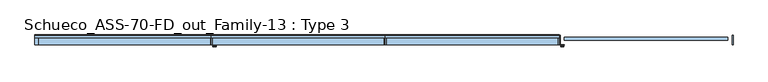
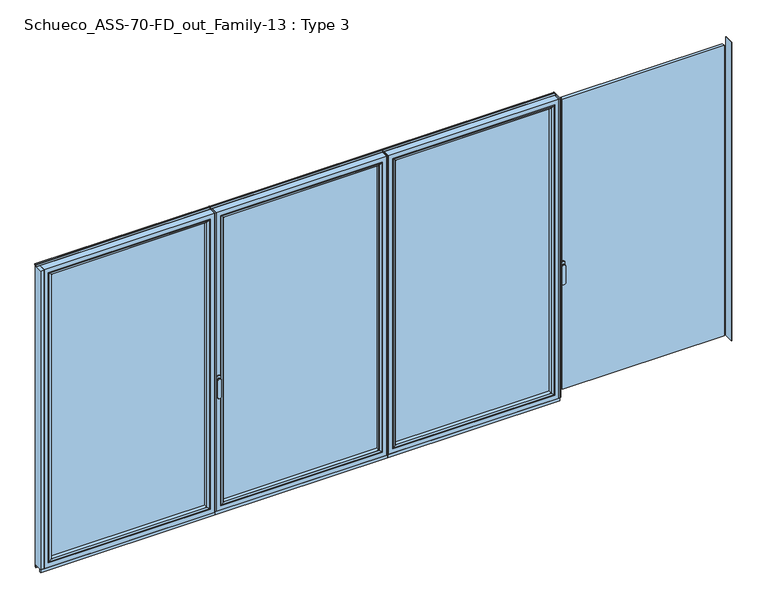
"""IFC4 building model written with IfcOpenShell, lengths in millimetres: window geometry, Schueco_ASS-70-FD_out_Family-13 : Type 3."""

from ifc_helpers import new_model, si_unit, point, frame, frame_2d, origin, place, context, project, spatial, polyline, circle_curve, ellipse_curve, trimmed, segment, composite_curve, outline, extrude, source, transform, mapped, element, save
from ifc_brep_helpers import plane_surface, cylinder_surface, extruded_surface, advanced_brep


def schueco_ass_70_fd_out_family_13_type_3_afd6cfd0(model_context):
    return source(origin(), model_context, "Body", "SolidModel", [
        extrude(outline(polyline([(1264.725, 0.0), (1264.725, -70.0), (1258.725, -70.0), (1258.725, 0.0), (1264.725, 0.0)])), frame((0.0, 0.0, 37.5), z_axis=(0.0, 0.0, 1.0), x_axis=(1.0, 0.0, 0.0)), (0.0, 0.0, 1.0), 2299.5),
        extrude(outline(polyline([(10.65, 0.0), (16.65, 0.0), (16.65, -70.0), (10.65, -70.0), (10.65, 0.0)])), frame((0.0, 0.0, 37.5), z_axis=(0.0, 0.0, 1.0), x_axis=(1.0, 0.0, 0.0)), (0.0, 0.0, 1.0), 2299.5),
        extrude(outline(polyline([(1226.725, -13.999939), (1226.725, -37.9928974), (48.65, -37.9928974), (48.65, -13.999939), (1226.725, -13.999939)])), frame((0.0, 0.0, 69.5), z_axis=(0.0, 0.0, 1.0), x_axis=(1.0, 0.0, 0.0)), (0.0, 0.0, 1.0), 2235.5),
        advanced_brep(
        [(70.6495728, -64.5552044, 2283.0004272), (70.6495728, -64.5552044, 91.4995728), (70.6495728, -37.9928974, 91.4995728), (70.6495728, -37.9928974, 2283.0004272), (48.65, -37.9928974, 2305.0), (1226.725, -37.9928974, 2305.0), (1226.725, -37.9928974, 69.5), (48.65, -37.9928974, 69.5), (1204.7254272, -37.9928974, 2283.0004272), (1204.7254272, -37.9928974, 91.4995728), (1204.7254272, -64.5552044, 91.4995728), (69.9400293, -65.8045072, 2283.7099707), (69.9400293, -65.8045072, 90.7900293), (1205.4349707, -65.8045072, 90.7900293), (54.649939, -70.0, 2299.000061), (54.649939, -70.0, 75.499939), (1220.725061, -70.0, 75.499939), (1226.725, -70.0, 2305.0), (48.65, -70.0, 2305.0), (48.65, -70.0, 69.5), (1226.725, -70.0, 69.5), (1220.725061, -70.0, 2299.000061), (1204.7254272, -64.5552044, 2283.0004272), (1205.4349707, -65.8045072, 2283.7099707)],
        [
            (0, 1),
            (1, 2),
            (2, 3),
            (3, 0),
            (4, 5),
            (5, 6),
            (6, 7),
            (7, 4),
            (8, 3),
            (2, 9),
            (9, 8),
            (1, 10),
            (10, 9),
            (11, 12),
            (12, 1, ellipse_curve(frame((69.1949688, -64.5552044, 90.0449688), z_axis=(-0.7071067811865475, 0.0, 0.7071067811865475), x_axis=(0.7071067811865474, 0.0, 0.7071067811865476)), 2.0571207, 1.454604)),
            (0, 11, ellipse_curve(frame((69.1949688, -64.5552044, 2284.4550312), z_axis=(-0.7071067811865475, 0.0, -0.7071067811865475), x_axis=(-0.7071067811865474, 0.0, 0.7071067811865476)), 2.0571207, 1.454604)),
            (12, 13),
            (13, 10, ellipse_curve(frame((1206.1800312, -64.5552044, 90.0449688), z_axis=(-0.7071067811865475, 0.0, -0.7071067811865475), x_axis=(-0.7071067811865476, 0.0, 0.7071067811865474)), 2.0571207, 1.454604)),
            (14, 15),
            (15, 12, ellipse_curve(frame((54.7138746, -40.2735922, 75.5638746), z_axis=(-0.7071067811865475, 0.0, 0.7071067811865475), x_axis=(0.7071067811865474, 0.0, 0.7071067811865476)), 42.0395863, 29.7264765)),
            (11, 14, ellipse_curve(frame((54.7138746, -40.2735922, 2298.9361254), z_axis=(-0.7071067811865475, 0.0, -0.7071067811865475), x_axis=(-0.7071067811865474, 0.0, 0.7071067811865476)), 42.0395863, 29.7264765)),
            (15, 16),
            (16, 13, ellipse_curve(frame((1220.6611254, -40.2735922, 75.5638746), z_axis=(-0.7071067811865475, 0.0, -0.7071067811865475), x_axis=(-0.7071067811865476, 0.0, 0.7071067811865474)), 42.0395863, 29.7264765)),
            (17, 18),
            (18, 19),
            (19, 20),
            (20, 17),
            (14, 21),
            (21, 16),
            (7, 19),
            (18, 4),
            (6, 20),
            (10, 22),
            (22, 8),
            (13, 23),
            (23, 22, ellipse_curve(frame((1206.1800312, -64.5552044, 2284.4550312), z_axis=(0.7071067811865475, 0.0, -0.7071067811865475), x_axis=(-0.7071067811865474, 0.0, -0.7071067811865476)), 2.0571207, 1.454604)),
            (21, 23, ellipse_curve(frame((1220.6611254, -40.2735922, 2298.9361254), z_axis=(0.7071067811865475, 0.0, -0.7071067811865475), x_axis=(-0.7071067811865474, 0.0, -0.7071067811865476)), 42.0395863, 29.7264765)),
            (5, 17),
            (22, 0),
            (23, 11),
        ],
        [
            plane_surface(frame((70.6495728, -37.9928974, 2283.0004272), z_axis=(1.0, 0.0, 0.0), x_axis=(0.0, 0.0, -1.0))),
            plane_surface(frame((1226.725, -37.9928974, 69.5), z_axis=(0.0, 1.0, 0.0), x_axis=(0.0, 0.0, 1.0))),
            plane_surface(frame((70.6495728, -37.9928974, 91.4995728), z_axis=(0.0, 0.0, 1.0), x_axis=(1.0, 0.0, 0.0))),
            cylinder_surface(frame((69.1949688, -64.5552044, 2283.0004272), z_axis=(0.0, 0.0, 1.0), x_axis=(-1.0, 0.0, 0.0)), 1.454604),
            cylinder_surface(frame((70.6495728, -64.5552044, 90.0449688), z_axis=(-1.0, 0.0, 0.0), x_axis=(0.0, 0.0, -1.0)), 1.454604),
            cylinder_surface(frame((54.7138746, -40.2735922, 2283.0004272), z_axis=(0.0, 0.0, 1.0), x_axis=(-1.0, 0.0, 0.0)), 29.7264765),
            cylinder_surface(frame((70.6495728, -40.2735922, 75.5638746), z_axis=(-1.0, 0.0, 0.0), x_axis=(0.0, 0.0, -1.0)), 29.7264765),
            plane_surface(frame((1220.725061, -70.0, 75.499939), z_axis=(0.0, -1.0, 0.0), x_axis=(0.0, 0.0, 1.0))),
            plane_surface(frame((48.65, -70.0, 2305.0), z_axis=(-1.0, 0.0, 0.0), x_axis=(0.0, 0.0, -1.0))),
            plane_surface(frame((48.65, -70.0, 69.5), z_axis=(0.0, 0.0, -1.0), x_axis=(1.0, 0.0, 0.0))),
            plane_surface(frame((1204.7254272, -37.9928974, 91.4995728), z_axis=(-1.0, 0.0, 0.0), x_axis=(0.0, 0.0, 1.0))),
            cylinder_surface(frame((1206.1800312, -64.5552044, 91.4995728), z_axis=(0.0, 0.0, -1.0), x_axis=(1.0, 0.0, 0.0)), 1.454604),
            cylinder_surface(frame((1220.6611254, -40.2735922, 91.4995728), z_axis=(0.0, 0.0, -1.0), x_axis=(1.0, 0.0, 0.0)), 29.7264765),
            plane_surface(frame((1226.725, -70.0, 69.5), z_axis=(1.0, 0.0, 0.0), x_axis=(0.0, 0.0, 1.0))),
            plane_surface(frame((1204.7254272, -37.9928974, 2283.0004272), z_axis=(0.0, 0.0, -1.0), x_axis=(-1.0, 0.0, 0.0))),
            cylinder_surface(frame((1204.7254272, -64.5552044, 2284.4550312), z_axis=(1.0, 0.0, 0.0), x_axis=(0.0, 0.0, 1.0)), 1.454604),
            cylinder_surface(frame((1204.7254272, -40.2735922, 2298.9361254), z_axis=(1.0, 0.0, 0.0), x_axis=(0.0, 0.0, 1.0)), 29.7264765),
            plane_surface(frame((1226.725, -70.0, 2305.0), z_axis=(0.0, 0.0, 1.0), x_axis=(-1.0, 0.0, 0.0))),
        ],
        [
            (0, [[1, 2, 3, 4]]),
            (1, [[5, 6, 7, 8], [9, -3, 10, 11]]),
            (2, [[12, 13, -10, -2]]),
            (3, [[14, 15, -1, 16]]),
            (4, [[17, 18, -12, -15]]),
            (5, [[19, 20, -14, 21]]),
            (6, [[22, 23, -17, -20]]),
            (7, [[24, 25, 26, 27], [28, 29, -22, -19]]),
            (8, [[-8, 30, -25, 31]]),
            (9, [[-7, 32, -26, -30]]),
            (10, [[33, 34, -11, -13]]),
            (11, [[35, 36, -33, -18]]),
            (12, [[-29, 37, -35, -23]]),
            (13, [[-6, 38, -27, -32]]),
            (14, [[39, -4, -9, -34]]),
            (15, [[40, -16, -39, -36]]),
            (16, [[-28, -21, -40, -37]]),
            (17, [[-5, -31, -24, -38]]),
        ],
    ),
        advanced_brep(
        [(1258.725, -70.0, 2337.0), (1258.725, -70.0, 37.5), (1258.725, 0.0, 37.5), (1258.725, 0.0, 2337.0), (16.65, -70.0, 37.5), (16.65, 0.0, 37.5), (16.65, 0.0, 2337.0), (66.1491901, 0.0, 86.9991901), (1209.2258099, 0.0, 86.9991901), (1209.2258099, 0.0, 2287.5008099), (66.1491901, 0.0, 2287.5008099), (16.65, -70.0, 2337.0), (1226.725, -70.0, 69.5), (48.65, -70.0, 69.5), (48.65, -70.0, 2305.0), (1226.725, -70.0, 2305.0), (1226.725, -13.999939, 2305.0), (1226.725, -13.999939, 69.5), (48.65, -13.999939, 69.5), (48.65, -13.999939, 2305.0), (1204.7254272, -13.999939, 91.4995728), (70.6495728, -13.999939, 91.4995728), (70.6495728, -13.999939, 2283.0004272), (1204.7254272, -13.999939, 2283.0004272), (1204.7254272, -4.5004435, 2283.0004272), (1204.7254272, -4.5004435, 91.4995728), (70.6495728, -4.5004435, 91.4995728), (70.6495728, -4.5004435, 2283.0004272)],
        [
            (0, 1),
            (1, 2),
            (2, 3),
            (3, 0),
            (1, 4),
            (4, 5),
            (5, 2),
            (5, 6),
            (6, 3),
            (7, 8),
            (8, 9),
            (9, 10),
            (10, 7),
            (4, 11),
            (11, 6),
            (0, 11),
            (12, 13),
            (13, 14),
            (14, 15),
            (15, 12),
            (16, 17),
            (17, 12),
            (15, 16),
            (17, 18),
            (18, 13),
            (18, 19),
            (19, 14),
            (16, 19),
            (20, 21),
            (21, 22),
            (22, 23),
            (23, 20),
            (24, 25),
            (25, 20),
            (23, 24),
            (25, 26),
            (26, 21),
            (26, 27),
            (27, 22),
            (7, 26, ellipse_curve(frame((66.1491901, -4.5004435, 86.9991901), z_axis=(0.7071067811865475, 0.0, -0.7071067811865475), x_axis=(0.7071067811865476, 0.0, 0.7071067811865474)), 6.3645023, 4.5003827)),
            (25, 8, ellipse_curve(frame((1209.2258099, -4.5004435, 86.9991901), z_axis=(-0.7071067811865475, 0.0, -0.7071067811865475), x_axis=(0.7071067811865476, 0.0, -0.7071067811865474)), 6.3645023, 4.5003827)),
            (24, 9, ellipse_curve(frame((1209.2258099, -4.5004435, 2287.5008099), z_axis=(0.7071067811865475, 0.0, -0.7071067811865475), x_axis=(0.7071067811865474, 0.0, 0.7071067811865476)), 6.3645023, 4.5003827)),
            (10, 27, ellipse_curve(frame((66.1491901, -4.5004435, 2287.5008099), z_axis=(-0.7071067811865475, 0.0, -0.7071067811865475), x_axis=(0.7071067811865474, 0.0, -0.7071067811865476)), 6.3645023, 4.5003827)),
            (27, 24),
        ],
        [
            plane_surface(frame((1258.725, 0.0, 2337.0), z_axis=(1.0, 0.0, 0.0), x_axis=(0.0, 0.0, -1.0))),
            plane_surface(frame((1258.725, 0.0, 37.5), z_axis=(0.0, 0.0, -1.0), x_axis=(-1.0, 0.0, 0.0))),
            plane_surface(frame((1209.2258099, 0.0, 2287.5008099), z_axis=(0.0, 1.0, 0.0), x_axis=(0.0, 0.0, -1.0))),
            plane_surface(frame((16.65, 0.0, 37.5), z_axis=(-1.0, 0.0, 0.0), x_axis=(0.0, 0.0, 1.0))),
            plane_surface(frame((1258.725, -70.0, 2337.0), z_axis=(0.0, -1.0, 0.0), x_axis=(0.0, 0.0, -1.0))),
            plane_surface(frame((1226.725, -70.0, 2305.0), z_axis=(-1.0, 0.0, 0.0), x_axis=(0.0, 0.0, -1.0))),
            plane_surface(frame((1226.725, -70.0, 69.5), z_axis=(0.0, 0.0, 1.0), x_axis=(-1.0, 0.0, 0.0))),
            plane_surface(frame((48.65, -70.0, 69.5), z_axis=(1.0, 0.0, 0.0), x_axis=(0.0, 0.0, 1.0))),
            plane_surface(frame((1226.725, -13.999939, 2305.0), z_axis=(0.0, -1.0, 0.0), x_axis=(0.0, 0.0, -1.0))),
            plane_surface(frame((1204.7254272, -13.999939, 2283.0004272), z_axis=(-1.0, 0.0, 0.0), x_axis=(0.0, 0.0, -1.0))),
            plane_surface(frame((1204.7254272, -13.999939, 91.4995728), z_axis=(0.0, 0.0, 1.0), x_axis=(-1.0, 0.0, 0.0))),
            plane_surface(frame((70.6495728, -13.999939, 91.4995728), z_axis=(1.0, 0.0, 0.0), x_axis=(0.0, 0.0, 1.0))),
            cylinder_surface(frame((1264.725, -4.5004435, 86.9991901), z_axis=(1.0, 0.0, 0.0), x_axis=(0.0, -1.0, 0.0)), 4.5003827),
            cylinder_surface(frame((1209.2258099, -4.5004435, 2343.0), z_axis=(0.0, 0.0, 1.0), x_axis=(0.0, -1.0, 0.0)), 4.5003827),
            cylinder_surface(frame((66.1491901, -4.5004435, 31.5), z_axis=(0.0, 0.0, -1.0), x_axis=(0.0, -1.0, 0.0)), 4.5003827),
            plane_surface(frame((16.65, 0.0, 2337.0), z_axis=(0.0, 0.0, 1.0), x_axis=(1.0, 0.0, 0.0))),
            plane_surface(frame((48.65, -70.0, 2305.0), z_axis=(0.0, 0.0, -1.0), x_axis=(1.0, 0.0, 0.0))),
            plane_surface(frame((70.6495728, -13.999939, 2283.0004272), z_axis=(0.0, 0.0, -1.0), x_axis=(1.0, 0.0, 0.0))),
            cylinder_surface(frame((10.65, -4.5004435, 2287.5008099), z_axis=(-1.0, 0.0, 0.0), x_axis=(0.0, -1.0, 0.0)), 4.5003827),
        ],
        [
            (0, [[1, 2, 3, 4]]),
            (1, [[5, 6, 7, -2]]),
            (2, [[-7, 8, 9, -3], [10, 11, 12, 13]]),
            (3, [[14, 15, -8, -6]]),
            (4, [[-5, -1, 16, -14], [17, 18, 19, 20]]),
            (5, [[21, 22, -20, 23]]),
            (6, [[24, 25, -17, -22]]),
            (7, [[26, 27, -18, -25]]),
            (8, [[-24, -21, 28, -26], [29, 30, 31, 32]]),
            (9, [[33, 34, -32, 35]]),
            (10, [[36, 37, -29, -34]]),
            (11, [[38, 39, -30, -37]]),
            (12, [[-10, 40, -36, 41]]),
            (13, [[-11, -41, -33, 42]]),
            (14, [[-13, 43, -38, -40]]),
            (15, [[-16, -4, -9, -15]]),
            (16, [[-28, -23, -19, -27]]),
            (17, [[44, -35, -31, -39]]),
            (18, [[-12, -42, -44, -43]]),
        ],
    ),
        extrude(outline(polyline([(1264.725, -7.6000076), (10.65, -7.6000076), (10.65, 0.0), (1264.725, 0.0), (1264.725, -7.6000076)])), frame((0.0, 0.0, 15.4995117), z_axis=(0.0, 0.0, 1.0), x_axis=(1.0, 0.0, 0.0)), (0.0, 0.0, 1.0), 22.0004883),
        extrude(outline(polyline([(1264.725, -70.0), (10.65, -70.0), (10.65, -62.2757497), (1264.725, -62.2757497), (1264.725, -70.0)])), frame((0.0, 0.0, 15.4995117), z_axis=(0.0, 0.0, 1.0), x_axis=(1.0, 0.0, 0.0)), (0.0, 0.0, 1.0), 22.0004883),
        extrude(outline(composite_curve([segment(polyline([(-17.955674, 2339.1400778), (-1.3636404, 2339.1400778), (0.0, 2342.963961), (0.0, 2348.6420698), (0.8937897, 2348.6420698), (1.8738669, 2344.9939222)]), True, "CONTINUOUS"), segment(trimmed(circle_curve(frame_2d((-0.0576456, 2344.4750201)), 2.0), [point((1.8738669, 2344.9939222))], [point((1.8735116, 2343.9547971))], False, "CARTESIAN"), True, "CONTINUOUS"), segment(polyline([(1.8735116, 2343.9547971), (0.0, 2337.0), (-17.955674, 2337.0), (-17.955674, 2339.1400778)]), True, "CONTINUOUS")], self_intersect=False)), frame((10.65, 0.0, 0.0), z_axis=(1.0, 0.0, 0.0), x_axis=(0.0, 1.0, 0.0)), (0.0, 0.0, 1.0), 1254.075),
        advanced_brep(
        [(-1209.4363692, -73.5, 1050.0), (-1233.4136308, -73.5, 1050.0), (-1209.4363692, -76.8965533, 1050.0), (-1233.4136308, -76.8965533, 1050.0), (-1209.4363692, -84.5, 1050.0), (-1233.4136308, -84.5, 1050.0), (-1233.4136308, -84.5, 918.6867153), (-1209.4363692, -84.5, 918.6867153), (-1209.4363692, -76.8965533, 918.6867153), (-1233.4136308, -76.8965533, 918.6867153)],
        [
            (0, 1, circle_curve(frame((-1221.425, -73.5, 1050.0), z_axis=(0.0, 1.0, 0.0), x_axis=(-1.0, 0.0, 0.0)), 11.9886308)),
            (1, 0, circle_curve(frame((-1221.425, -73.5, 1050.0), z_axis=(0.0, 1.0, 0.0), x_axis=(-1.0, 0.0, 0.0)), 11.9886308)),
            (0, 2),
            (2, 3, circle_curve(frame((-1221.425, -76.8965533, 1050.0), z_axis=(0.0, 1.0, 0.0), x_axis=(-1.0, 0.0, 0.0)), 11.9886308)),
            (3, 1),
            (3, 2, circle_curve(frame((-1221.425, -76.8965533, 1050.0), z_axis=(0.0, 1.0, 0.0), x_axis=(-1.0, 0.0, 0.0)), 11.9886308)),
            (4, 5, circle_curve(frame((-1221.425, -84.5, 1050.0), z_axis=(0.0, -1.0, 0.0), x_axis=(-1.0, 0.0, 0.0)), 11.9886308)),
            (5, 6),
            (6, 7, ellipse_curve(frame((-1221.425, -84.5, 918.6867153), z_axis=(0.0, -1.0, 0.0), x_axis=(1.0, 0.0, 0.0)), 11.9886308, 7.9050795)),
            (7, 4),
            (2, 8),
            (8, 9, ellipse_curve(frame((-1221.425, -76.8965533, 918.6867153), z_axis=(0.0, 1.0, 0.0), x_axis=(1.0, 0.0, 0.0)), 11.9886308, 7.9050795)),
            (9, 3),
            (7, 8),
            (2, 4),
            (6, 9),
            (5, 3),
        ],
        [
            plane_surface(frame((-1233.4136308, -73.5, 1050.0), z_axis=(0.0, 1.0, 0.0), x_axis=(0.0, 0.0, -1.0))),
            cylinder_surface(frame((-1221.425, -73.5, 1050.0), z_axis=(0.0, -1.0, 0.0), x_axis=(-1.0, 0.0, 0.0)), 11.9886308),
            plane_surface(frame((-1209.4363692, -84.5, 928.3382074), z_axis=(0.0, -1.0, 0.0), x_axis=(0.0, 0.0, -1.0))),
            plane_surface(frame((-1209.4363692, -76.8965533, 928.3382074), z_axis=(0.0, 1.0, 0.0), x_axis=(0.0, 0.0, 1.0))),
            plane_surface(frame((-1209.4363692, -84.5, 1050.0), z_axis=(1.0, 0.0, 0.0), x_axis=(0.0, 1.0, 0.0))),
            extruded_surface(trimmed(ellipse_curve(frame((-1221.425, -76.8965533, 918.6867153), z_axis=(0.0, 1.0, 0.0), x_axis=(1.0, 0.0, 0.0)), 11.9886308, 7.9050795), [point((-1209.4363692, -76.8965533, 918.6867153))], [point((-1233.4136308, -76.8965533, 918.6867153))], True, "CARTESIAN"), (0.0, 7.603446699999992, 0.0), 7.603446699999992),
            plane_surface(frame((-1233.4136308, -84.5, 918.6867153), z_axis=(-1.0, 0.0, 0.0), x_axis=(0.0, 1.0, 0.0))),
            cylinder_surface(frame((-1221.425, -76.8965533, 1050.0), z_axis=(0.0, -1.0, 0.0), x_axis=(-1.0, 0.0, 0.0)), 11.9886308),
        ],
        [
            (0, [[1, 2]]),
            (1, [[3, 4, 5, -1]]),
            (1, [[-5, 6, -3, -2]]),
            (2, [[7, 8, 9, 10]]),
            (3, [[-4, 11, 12, 13]]),
            (4, [[14, -11, 15, -10]]),
            (5, [[16, -12, -14, -9]]),
            (6, [[17, -13, -16, -8]]),
            (7, [[-15, -6, -17, -7]]),
        ],
    ),
        extrude(outline(composite_curve([segment(trimmed(circle_curve(frame_2d((1068.75, -1221.425)), 14.0), [point((1068.75, -1207.425))], [point((1068.75, -1235.425))], False, "CARTESIAN"), True, "CONTINUOUS"), segment(polyline([(1068.75, -1235.425), (1031.25, -1235.425)]), True, "CONTINUOUS"), segment(trimmed(circle_curve(frame_2d((1031.25, -1221.425)), 14.0), [point((1031.25, -1235.425))], [point((1031.25, -1207.425))], False, "CARTESIAN"), True, "CONTINUOUS"), segment(polyline([(1031.25, -1207.425), (1068.75, -1207.425)]), True, "CONTINUOUS")], self_intersect=False)), frame((0.0, -73.5, 0.0), z_axis=(0.0, 1.0, 0.0), x_axis=(0.0, 0.0, 1.0)), (0.0, 0.0, 1.0), 3.5),
        extrude(outline(polyline([(10.65, 0.0), (10.65, -70.0), (4.65, -70.0), (4.65, 0.0), (10.65, 0.0)])), frame((0.0, 0.0, 37.5), z_axis=(0.0, 0.0, 1.0), x_axis=(1.0, 0.0, 0.0)), (0.0, 0.0, 1.0), 2299.5),
        extrude(outline(polyline([(-1243.425, 0.0), (-1237.425, 0.0), (-1237.425, -70.0), (-1243.425, -70.0), (-1243.425, 0.0)])), frame((0.0, 0.0, 37.5), z_axis=(0.0, 0.0, 1.0), x_axis=(1.0, 0.0, 0.0)), (0.0, 0.0, 1.0), 2299.5),
        extrude(outline(polyline([(-27.35, -13.999939), (-27.35, -37.9928974), (-1205.425, -37.9928974), (-1205.425, -13.999939), (-27.35, -13.999939)])), frame((0.0, 0.0, 69.5), z_axis=(0.0, 0.0, 1.0), x_axis=(1.0, 0.0, 0.0)), (0.0, 0.0, 1.0), 2235.5),
        advanced_brep(
        [(-1183.4254272, -64.5552044, 2283.0004272), (-1183.4254272, -64.5552044, 91.4995728), (-1183.4254272, -37.9928974, 91.4995728), (-1183.4254272, -37.9928974, 2283.0004272), (-1205.425, -37.9928974, 2305.0), (-27.35, -37.9928974, 2305.0), (-27.35, -37.9928974, 69.5), (-1205.425, -37.9928974, 69.5), (-49.3495728, -37.9928974, 2283.0004272), (-49.3495728, -37.9928974, 91.4995728), (-49.3495728, -64.5552044, 91.4995728), (-1184.1349707, -65.8045072, 2283.7099707), (-1184.1349707, -65.8045072, 90.7900293), (-48.6400293, -65.8045072, 90.7900293), (-1199.425061, -70.0, 2299.000061), (-1199.425061, -70.0, 75.499939), (-33.349939, -70.0, 75.499939), (-27.35, -70.0, 2305.0), (-1205.425, -70.0, 2305.0), (-1205.425, -70.0, 69.5), (-27.35, -70.0, 69.5), (-33.349939, -70.0, 2299.000061), (-49.3495728, -64.5552044, 2283.0004272), (-48.6400293, -65.8045072, 2283.7099707)],
        [
            (0, 1),
            (1, 2),
            (2, 3),
            (3, 0),
            (4, 5),
            (5, 6),
            (6, 7),
            (7, 4),
            (8, 3),
            (2, 9),
            (9, 8),
            (1, 10),
            (10, 9),
            (11, 12),
            (12, 1, ellipse_curve(frame((-1184.8800312, -64.5552044, 90.0449688), z_axis=(-0.7071067811865475, 0.0, 0.7071067811865475), x_axis=(0.7071067811865474, 0.0, 0.7071067811865476)), 2.0571207, 1.454604)),
            (0, 11, ellipse_curve(frame((-1184.8800312, -64.5552044, 2284.4550312), z_axis=(-0.7071067811865475, 0.0, -0.7071067811865475), x_axis=(-0.7071067811865474, 0.0, 0.7071067811865476)), 2.0571207, 1.454604)),
            (12, 13),
            (13, 10, ellipse_curve(frame((-47.8949688, -64.5552044, 90.0449688), z_axis=(-0.7071067811865475, 0.0, -0.7071067811865475), x_axis=(-0.7071067811865476, 0.0, 0.7071067811865474)), 2.0571207, 1.454604)),
            (14, 15),
            (15, 12, ellipse_curve(frame((-1199.3611254, -40.2735922, 75.5638746), z_axis=(-0.7071067811865475, 0.0, 0.7071067811865475), x_axis=(0.7071067811865474, 0.0, 0.7071067811865476)), 42.0395863, 29.7264765)),
            (11, 14, ellipse_curve(frame((-1199.3611254, -40.2735922, 2298.9361254), z_axis=(-0.7071067811865475, 0.0, -0.7071067811865475), x_axis=(-0.7071067811865474, 0.0, 0.7071067811865476)), 42.0395863, 29.7264765)),
            (15, 16),
            (16, 13, ellipse_curve(frame((-33.4138746, -40.2735922, 75.5638746), z_axis=(-0.7071067811865475, 0.0, -0.7071067811865475), x_axis=(-0.7071067811865476, 0.0, 0.7071067811865474)), 42.0395863, 29.7264765)),
            (17, 18),
            (18, 19),
            (19, 20),
            (20, 17),
            (14, 21),
            (21, 16),
            (7, 19),
            (18, 4),
            (6, 20),
            (10, 22),
            (22, 8),
            (13, 23),
            (23, 22, ellipse_curve(frame((-47.8949688, -64.5552044, 2284.4550312), z_axis=(0.7071067811865475, 0.0, -0.7071067811865475), x_axis=(-0.7071067811865474, 0.0, -0.7071067811865476)), 2.0571207, 1.454604)),
            (21, 23, ellipse_curve(frame((-33.4138746, -40.2735922, 2298.9361254), z_axis=(0.7071067811865475, 0.0, -0.7071067811865475), x_axis=(-0.7071067811865474, 0.0, -0.7071067811865476)), 42.0395863, 29.7264765)),
            (5, 17),
            (22, 0),
            (23, 11),
        ],
        [
            plane_surface(frame((-1183.4254272, -37.9928974, 2283.0004272), z_axis=(1.0, 0.0, 0.0), x_axis=(0.0, 0.0, -1.0))),
            plane_surface(frame((-27.35, -37.9928974, 69.5), z_axis=(0.0, 1.0, 0.0), x_axis=(0.0, 0.0, 1.0))),
            plane_surface(frame((-1183.4254272, -37.9928974, 91.4995728), z_axis=(0.0, 0.0, 1.0), x_axis=(1.0, 0.0, 0.0))),
            cylinder_surface(frame((-1184.8800312, -64.5552044, 2283.0004272), z_axis=(0.0, 0.0, 1.0), x_axis=(-1.0, 0.0, 0.0)), 1.454604),
            cylinder_surface(frame((-1183.4254272, -64.5552044, 90.0449688), z_axis=(-1.0, 0.0, 0.0), x_axis=(0.0, 0.0, -1.0)), 1.454604),
            cylinder_surface(frame((-1199.3611254, -40.2735922, 2283.0004272), z_axis=(0.0, 0.0, 1.0), x_axis=(-1.0, 0.0, 0.0)), 29.7264765),
            cylinder_surface(frame((-1183.4254272, -40.2735922, 75.5638746), z_axis=(-1.0, 0.0, 0.0), x_axis=(0.0, 0.0, -1.0)), 29.7264765),
            plane_surface(frame((-33.349939, -70.0, 75.499939), z_axis=(0.0, -1.0, 0.0), x_axis=(0.0, 0.0, 1.0))),
            plane_surface(frame((-1205.425, -70.0, 2305.0), z_axis=(-1.0, 0.0, 0.0), x_axis=(0.0, 0.0, -1.0))),
            plane_surface(frame((-1205.425, -70.0, 69.5), z_axis=(0.0, 0.0, -1.0), x_axis=(1.0, 0.0, 0.0))),
            plane_surface(frame((-49.3495728, -37.9928974, 91.4995728), z_axis=(-1.0, 0.0, 0.0), x_axis=(0.0, 0.0, 1.0))),
            cylinder_surface(frame((-47.8949688, -64.5552044, 91.4995728), z_axis=(0.0, 0.0, -1.0), x_axis=(1.0, 0.0, 0.0)), 1.454604),
            cylinder_surface(frame((-33.4138746, -40.2735922, 91.4995728), z_axis=(0.0, 0.0, -1.0), x_axis=(1.0, 0.0, 0.0)), 29.7264765),
            plane_surface(frame((-27.35, -70.0, 69.5), z_axis=(1.0, 0.0, 0.0), x_axis=(0.0, 0.0, 1.0))),
            plane_surface(frame((-49.3495728, -37.9928974, 2283.0004272), z_axis=(0.0, 0.0, -1.0), x_axis=(-1.0, 0.0, 0.0))),
            cylinder_surface(frame((-49.3495728, -64.5552044, 2284.4550312), z_axis=(1.0, 0.0, 0.0), x_axis=(0.0, 0.0, 1.0)), 1.454604),
            cylinder_surface(frame((-49.3495728, -40.2735922, 2298.9361254), z_axis=(1.0, 0.0, 0.0), x_axis=(0.0, 0.0, 1.0)), 29.7264765),
            plane_surface(frame((-27.35, -70.0, 2305.0), z_axis=(0.0, 0.0, 1.0), x_axis=(-1.0, 0.0, 0.0))),
        ],
        [
            (0, [[1, 2, 3, 4]]),
            (1, [[5, 6, 7, 8], [9, -3, 10, 11]]),
            (2, [[12, 13, -10, -2]]),
            (3, [[14, 15, -1, 16]]),
            (4, [[17, 18, -12, -15]]),
            (5, [[19, 20, -14, 21]]),
            (6, [[22, 23, -17, -20]]),
            (7, [[24, 25, 26, 27], [28, 29, -22, -19]]),
            (8, [[-8, 30, -25, 31]]),
            (9, [[-7, 32, -26, -30]]),
            (10, [[33, 34, -11, -13]]),
            (11, [[35, 36, -33, -18]]),
            (12, [[-29, 37, -35, -23]]),
            (13, [[-6, 38, -27, -32]]),
            (14, [[39, -4, -9, -34]]),
            (15, [[40, -16, -39, -36]]),
            (16, [[-28, -21, -40, -37]]),
            (17, [[-5, -31, -24, -38]]),
        ],
    ),
        advanced_brep(
        [(4.65, -70.0, 2337.0), (4.65, -70.0, 37.5), (4.65, 0.0, 37.5), (4.65, 0.0, 2337.0), (-1237.425, -70.0, 37.5), (-1237.425, 0.0, 37.5), (-1237.425, 0.0, 2337.0), (-1187.9258099, 0.0, 86.9991901), (-44.8491901, 0.0, 86.9991901), (-44.8491901, 0.0, 2287.5008099), (-1187.9258099, 0.0, 2287.5008099), (-1237.425, -70.0, 2337.0), (-27.35, -70.0, 69.5), (-1205.425, -70.0, 69.5), (-1205.425, -70.0, 2305.0), (-27.35, -70.0, 2305.0), (-27.35, -13.999939, 2305.0), (-27.35, -13.999939, 69.5), (-1205.425, -13.999939, 69.5), (-1205.425, -13.999939, 2305.0), (-49.3495728, -13.999939, 91.4995728), (-1183.4254272, -13.999939, 91.4995728), (-1183.4254272, -13.999939, 2283.0004272), (-49.3495728, -13.999939, 2283.0004272), (-49.3495728, -4.5004435, 2283.0004272), (-49.3495728, -4.5004435, 91.4995728), (-1183.4254272, -4.5004435, 91.4995728), (-1183.4254272, -4.5004435, 2283.0004272)],
        [
            (0, 1),
            (1, 2),
            (2, 3),
            (3, 0),
            (1, 4),
            (4, 5),
            (5, 2),
            (5, 6),
            (6, 3),
            (7, 8),
            (8, 9),
            (9, 10),
            (10, 7),
            (4, 11),
            (11, 6),
            (0, 11),
            (12, 13),
            (13, 14),
            (14, 15),
            (15, 12),
            (16, 17),
            (17, 12),
            (15, 16),
            (17, 18),
            (18, 13),
            (18, 19),
            (19, 14),
            (16, 19),
            (20, 21),
            (21, 22),
            (22, 23),
            (23, 20),
            (24, 25),
            (25, 20),
            (23, 24),
            (25, 26),
            (26, 21),
            (26, 27),
            (27, 22),
            (7, 26, ellipse_curve(frame((-1187.9258099, -4.5004435, 86.9991901), z_axis=(0.7071067811865475, 0.0, -0.7071067811865475), x_axis=(0.7071067811865476, 0.0, 0.7071067811865474)), 6.3645023, 4.5003827)),
            (25, 8, ellipse_curve(frame((-44.8491901, -4.5004435, 86.9991901), z_axis=(-0.7071067811865475, 0.0, -0.7071067811865475), x_axis=(0.7071067811865476, 0.0, -0.7071067811865474)), 6.3645023, 4.5003827)),
            (24, 9, ellipse_curve(frame((-44.8491901, -4.5004435, 2287.5008099), z_axis=(0.7071067811865475, 0.0, -0.7071067811865475), x_axis=(0.7071067811865474, 0.0, 0.7071067811865476)), 6.3645023, 4.5003827)),
            (10, 27, ellipse_curve(frame((-1187.9258099, -4.5004435, 2287.5008099), z_axis=(-0.7071067811865475, 0.0, -0.7071067811865475), x_axis=(0.7071067811865474, 0.0, -0.7071067811865476)), 6.3645023, 4.5003827)),
            (27, 24),
        ],
        [
            plane_surface(frame((4.65, 0.0, 2337.0), z_axis=(1.0, 0.0, 0.0), x_axis=(0.0, 0.0, -1.0))),
            plane_surface(frame((4.65, 0.0, 37.5), z_axis=(0.0, 0.0, -1.0), x_axis=(-1.0, 0.0, 0.0))),
            plane_surface(frame((-44.8491901, 0.0, 2287.5008099), z_axis=(0.0, 1.0, 0.0), x_axis=(0.0, 0.0, -1.0))),
            plane_surface(frame((-1237.425, 0.0, 37.5), z_axis=(-1.0, 0.0, 0.0), x_axis=(0.0, 0.0, 1.0))),
            plane_surface(frame((4.65, -70.0, 2337.0), z_axis=(0.0, -1.0, 0.0), x_axis=(0.0, 0.0, -1.0))),
            plane_surface(frame((-27.35, -70.0, 2305.0), z_axis=(-1.0, 0.0, 0.0), x_axis=(0.0, 0.0, -1.0))),
            plane_surface(frame((-27.35, -70.0, 69.5), z_axis=(0.0, 0.0, 1.0), x_axis=(-1.0, 0.0, 0.0))),
            plane_surface(frame((-1205.425, -70.0, 69.5), z_axis=(1.0, 0.0, 0.0), x_axis=(0.0, 0.0, 1.0))),
            plane_surface(frame((-27.35, -13.999939, 2305.0), z_axis=(0.0, -1.0, 0.0), x_axis=(0.0, 0.0, -1.0))),
            plane_surface(frame((-49.3495728, -13.999939, 2283.0004272), z_axis=(-1.0, 0.0, 0.0), x_axis=(0.0, 0.0, -1.0))),
            plane_surface(frame((-49.3495728, -13.999939, 91.4995728), z_axis=(0.0, 0.0, 1.0), x_axis=(-1.0, 0.0, 0.0))),
            plane_surface(frame((-1183.4254272, -13.999939, 91.4995728), z_axis=(1.0, 0.0, 0.0), x_axis=(0.0, 0.0, 1.0))),
            cylinder_surface(frame((10.65, -4.5004435, 86.9991901), z_axis=(1.0, 0.0, 0.0), x_axis=(0.0, -1.0, 0.0)), 4.5003827),
            cylinder_surface(frame((-44.8491901, -4.5004435, 2343.0), z_axis=(0.0, 0.0, 1.0), x_axis=(0.0, -1.0, 0.0)), 4.5003827),
            cylinder_surface(frame((-1187.9258099, -4.5004435, 31.5), z_axis=(0.0, 0.0, -1.0), x_axis=(0.0, -1.0, 0.0)), 4.5003827),
            plane_surface(frame((-1237.425, 0.0, 2337.0), z_axis=(0.0, 0.0, 1.0), x_axis=(1.0, 0.0, 0.0))),
            plane_surface(frame((-1205.425, -70.0, 2305.0), z_axis=(0.0, 0.0, -1.0), x_axis=(1.0, 0.0, 0.0))),
            plane_surface(frame((-1183.4254272, -13.999939, 2283.0004272), z_axis=(0.0, 0.0, -1.0), x_axis=(1.0, 0.0, 0.0))),
            cylinder_surface(frame((-1243.425, -4.5004435, 2287.5008099), z_axis=(-1.0, 0.0, 0.0), x_axis=(0.0, -1.0, 0.0)), 4.5003827),
        ],
        [
            (0, [[1, 2, 3, 4]]),
            (1, [[5, 6, 7, -2]]),
            (2, [[-7, 8, 9, -3], [10, 11, 12, 13]]),
            (3, [[14, 15, -8, -6]]),
            (4, [[-5, -1, 16, -14], [17, 18, 19, 20]]),
            (5, [[21, 22, -20, 23]]),
            (6, [[24, 25, -17, -22]]),
            (7, [[26, 27, -18, -25]]),
            (8, [[-24, -21, 28, -26], [29, 30, 31, 32]]),
            (9, [[33, 34, -32, 35]]),
            (10, [[36, 37, -29, -34]]),
            (11, [[38, 39, -30, -37]]),
            (12, [[-10, 40, -36, 41]]),
            (13, [[-11, -41, -33, 42]]),
            (14, [[-13, 43, -38, -40]]),
            (15, [[-16, -4, -9, -15]]),
            (16, [[-28, -23, -19, -27]]),
            (17, [[44, -35, -31, -39]]),
            (18, [[-12, -42, -44, -43]]),
        ],
    ),
        extrude(outline(polyline([(10.65, -7.6000076), (-1243.425, -7.6000076), (-1243.425, 0.0), (10.65, 0.0), (10.65, -7.6000076)])), frame((0.0, 0.0, 15.4995117), z_axis=(0.0, 0.0, 1.0), x_axis=(1.0, 0.0, 0.0)), (0.0, 0.0, 1.0), 22.0004883),
        extrude(outline(polyline([(10.65, -70.0), (-1243.425, -70.0), (-1243.425, -62.2757497), (10.65, -62.2757497), (10.65, -70.0)])), frame((0.0, 0.0, 15.4995117), z_axis=(0.0, 0.0, 1.0), x_axis=(1.0, 0.0, 0.0)), (0.0, 0.0, 1.0), 22.0004883),
        extrude(outline(composite_curve([segment(polyline([(-17.955674, 2339.1400778), (-1.3636404, 2339.1400778), (0.0, 2342.963961), (0.0, 2348.6420698), (0.8937897, 2348.6420698), (1.8738669, 2344.9939222)]), True, "CONTINUOUS"), segment(trimmed(circle_curve(frame_2d((-0.0576456, 2344.4750201)), 2.0), [point((1.8738669, 2344.9939222))], [point((1.8735116, 2343.9547971))], False, "CARTESIAN"), True, "CONTINUOUS"), segment(polyline([(1.8735116, 2343.9547971), (0.0, 2337.0), (-17.955674, 2337.0), (-17.955674, 2339.1400778)]), True, "CONTINUOUS")], self_intersect=False)), frame((-1243.425, 0.0, 0.0), z_axis=(1.0, 0.0, 0.0), x_axis=(0.0, 1.0, 0.0)), (0.0, 0.0, 1.0), 1254.075),
        extrude(outline(polyline([(-1243.425, 0.0), (-1243.425, -70.0), (-1249.425, -70.0), (-1249.425, 0.0), (-1243.425, 0.0)])), frame((0.0, 0.0, 37.5), z_axis=(0.0, 0.0, 1.0), x_axis=(1.0, 0.0, 0.0)), (0.0, 0.0, 1.0), 2299.5),
        extrude(outline(polyline([(-2516.5, 0.0), (-2491.5, 0.0), (-2491.5, -70.0), (-2516.5, -70.0), (-2516.5, 0.0)])), frame((0.0, 0.0, 37.5), z_axis=(0.0, 0.0, 1.0), x_axis=(1.0, 0.0, 0.0)), (0.0, 0.0, 1.0), 2299.5),
        extrude(outline(polyline([(-1281.425, -13.999939), (-1281.425, -37.9928974), (-2459.5, -37.9928974), (-2459.5, -13.999939), (-1281.425, -13.999939)])), frame((0.0, 0.0, 69.5), z_axis=(0.0, 0.0, 1.0), x_axis=(1.0, 0.0, 0.0)), (0.0, 0.0, 1.0), 2235.5),
        advanced_brep(
        [(-2437.5004272, -64.5552044, 2283.0004272), (-2437.5004272, -64.5552044, 91.4995728), (-2437.5004272, -37.9928974, 91.4995728), (-2437.5004272, -37.9928974, 2283.0004272), (-2459.5, -37.9928974, 2305.0), (-1281.425, -37.9928974, 2305.0), (-1281.425, -37.9928974, 69.5), (-2459.5, -37.9928974, 69.5), (-1303.4245728, -37.9928974, 2283.0004272), (-1303.4245728, -37.9928974, 91.4995728), (-1303.4245728, -64.5552044, 91.4995728), (-2438.2099707, -65.8045072, 2283.7099707), (-2438.2099707, -65.8045072, 90.7900293), (-1302.7150293, -65.8045072, 90.7900293), (-2453.500061, -70.0, 2299.000061), (-2453.500061, -70.0, 75.499939), (-1287.424939, -70.0, 75.499939), (-1281.425, -70.0, 2305.0), (-2459.5, -70.0, 2305.0), (-2459.5, -70.0, 69.5), (-1281.425, -70.0, 69.5), (-1287.424939, -70.0, 2299.000061), (-1303.4245728, -64.5552044, 2283.0004272), (-1302.7150293, -65.8045072, 2283.7099707)],
        [
            (0, 1),
            (1, 2),
            (2, 3),
            (3, 0),
            (4, 5),
            (5, 6),
            (6, 7),
            (7, 4),
            (8, 3),
            (2, 9),
            (9, 8),
            (1, 10),
            (10, 9),
            (11, 12),
            (12, 1, ellipse_curve(frame((-2438.9550312, -64.5552044, 90.0449688), z_axis=(-0.7071067811865475, 0.0, 0.7071067811865475), x_axis=(0.7071067811865474, 0.0, 0.7071067811865476)), 2.0571207, 1.454604)),
            (0, 11, ellipse_curve(frame((-2438.9550312, -64.5552044, 2284.4550312), z_axis=(-0.7071067811865475, 0.0, -0.7071067811865475), x_axis=(-0.7071067811865474, 0.0, 0.7071067811865476)), 2.0571207, 1.454604)),
            (12, 13),
            (13, 10, ellipse_curve(frame((-1301.9699688, -64.5552044, 90.0449688), z_axis=(-0.7071067811865475, 0.0, -0.7071067811865475), x_axis=(-0.7071067811865476, 0.0, 0.7071067811865474)), 2.0571207, 1.454604)),
            (14, 15),
            (15, 12, ellipse_curve(frame((-2453.4361254, -40.2735922, 75.5638746), z_axis=(-0.7071067811865475, 0.0, 0.7071067811865475), x_axis=(0.7071067811865474, 0.0, 0.7071067811865476)), 42.0395863, 29.7264765)),
            (11, 14, ellipse_curve(frame((-2453.4361254, -40.2735922, 2298.9361254), z_axis=(-0.7071067811865475, 0.0, -0.7071067811865475), x_axis=(-0.7071067811865474, 0.0, 0.7071067811865476)), 42.0395863, 29.7264765)),
            (15, 16),
            (16, 13, ellipse_curve(frame((-1287.4888746, -40.2735922, 75.5638746), z_axis=(-0.7071067811865475, 0.0, -0.7071067811865475), x_axis=(-0.7071067811865476, 0.0, 0.7071067811865474)), 42.0395863, 29.7264765)),
            (17, 18),
            (18, 19),
            (19, 20),
            (20, 17),
            (14, 21),
            (21, 16),
            (7, 19),
            (18, 4),
            (6, 20),
            (10, 22),
            (22, 8),
            (13, 23),
            (23, 22, ellipse_curve(frame((-1301.9699688, -64.5552044, 2284.4550312), z_axis=(0.7071067811865475, 0.0, -0.7071067811865475), x_axis=(-0.7071067811865474, 0.0, -0.7071067811865476)), 2.0571207, 1.454604)),
            (21, 23, ellipse_curve(frame((-1287.4888746, -40.2735922, 2298.9361254), z_axis=(0.7071067811865475, 0.0, -0.7071067811865475), x_axis=(-0.7071067811865474, 0.0, -0.7071067811865476)), 42.0395863, 29.7264765)),
            (5, 17),
            (22, 0),
            (23, 11),
        ],
        [
            plane_surface(frame((-2437.5004272, -37.9928974, 2283.0004272), z_axis=(1.0, 0.0, 0.0), x_axis=(0.0, 0.0, -1.0))),
            plane_surface(frame((-1281.425, -37.9928974, 69.5), z_axis=(0.0, 1.0, 0.0), x_axis=(0.0, 0.0, 1.0))),
            plane_surface(frame((-2437.5004272, -37.9928974, 91.4995728), z_axis=(0.0, 0.0, 1.0), x_axis=(1.0, 0.0, 0.0))),
            cylinder_surface(frame((-2438.9550312, -64.5552044, 2283.0004272), z_axis=(0.0, 0.0, 1.0), x_axis=(-1.0, 0.0, 0.0)), 1.454604),
            cylinder_surface(frame((-2437.5004272, -64.5552044, 90.0449688), z_axis=(-1.0, 0.0, 0.0), x_axis=(0.0, 0.0, -1.0)), 1.454604),
            cylinder_surface(frame((-2453.4361254, -40.2735922, 2283.0004272), z_axis=(0.0, 0.0, 1.0), x_axis=(-1.0, 0.0, 0.0)), 29.7264765),
            cylinder_surface(frame((-2437.5004272, -40.2735922, 75.5638746), z_axis=(-1.0, 0.0, 0.0), x_axis=(0.0, 0.0, -1.0)), 29.7264765),
            plane_surface(frame((-1287.424939, -70.0, 75.499939), z_axis=(0.0, -1.0, 0.0), x_axis=(0.0, 0.0, 1.0))),
            plane_surface(frame((-2459.5, -70.0, 2305.0), z_axis=(-1.0, 0.0, 0.0), x_axis=(0.0, 0.0, -1.0))),
            plane_surface(frame((-2459.5, -70.0, 69.5), z_axis=(0.0, 0.0, -1.0), x_axis=(1.0, 0.0, 0.0))),
            plane_surface(frame((-1303.4245728, -37.9928974, 91.4995728), z_axis=(-1.0, 0.0, 0.0), x_axis=(0.0, 0.0, 1.0))),
            cylinder_surface(frame((-1301.9699688, -64.5552044, 91.4995728), z_axis=(0.0, 0.0, -1.0), x_axis=(1.0, 0.0, 0.0)), 1.454604),
            cylinder_surface(frame((-1287.4888746, -40.2735922, 91.4995728), z_axis=(0.0, 0.0, -1.0), x_axis=(1.0, 0.0, 0.0)), 29.7264765),
            plane_surface(frame((-1281.425, -70.0, 69.5), z_axis=(1.0, 0.0, 0.0), x_axis=(0.0, 0.0, 1.0))),
            plane_surface(frame((-1303.4245728, -37.9928974, 2283.0004272), z_axis=(0.0, 0.0, -1.0), x_axis=(-1.0, 0.0, 0.0))),
            cylinder_surface(frame((-1303.4245728, -64.5552044, 2284.4550312), z_axis=(1.0, 0.0, 0.0), x_axis=(0.0, 0.0, 1.0)), 1.454604),
            cylinder_surface(frame((-1303.4245728, -40.2735922, 2298.9361254), z_axis=(1.0, 0.0, 0.0), x_axis=(0.0, 0.0, 1.0)), 29.7264765),
            plane_surface(frame((-1281.425, -70.0, 2305.0), z_axis=(0.0, 0.0, 1.0), x_axis=(-1.0, 0.0, 0.0))),
        ],
        [
            (0, [[1, 2, 3, 4]]),
            (1, [[5, 6, 7, 8], [9, -3, 10, 11]]),
            (2, [[12, 13, -10, -2]]),
            (3, [[14, 15, -1, 16]]),
            (4, [[17, 18, -12, -15]]),
            (5, [[19, 20, -14, 21]]),
            (6, [[22, 23, -17, -20]]),
            (7, [[24, 25, 26, 27], [28, 29, -22, -19]]),
            (8, [[-8, 30, -25, 31]]),
            (9, [[-7, 32, -26, -30]]),
            (10, [[33, 34, -11, -13]]),
            (11, [[35, 36, -33, -18]]),
            (12, [[-29, 37, -35, -23]]),
            (13, [[-6, 38, -27, -32]]),
            (14, [[39, -4, -9, -34]]),
            (15, [[40, -16, -39, -36]]),
            (16, [[-28, -21, -40, -37]]),
            (17, [[-5, -31, -24, -38]]),
        ],
    ),
        advanced_brep(
        [(-1249.425, -70.0, 2337.0), (-1249.425, -70.0, 37.5), (-1249.425, 0.0, 37.5), (-1249.425, 0.0, 2337.0), (-2491.5, -70.0, 37.5), (-2491.5, 0.0, 37.5), (-2491.5, 0.0, 2337.0), (-2442.0008099, 0.0, 86.9991901), (-1298.9241901, 0.0, 86.9991901), (-1298.9241901, 0.0, 2287.5008099), (-2442.0008099, 0.0, 2287.5008099), (-2491.5, -70.0, 2337.0), (-1281.425, -70.0, 69.5), (-2459.5, -70.0, 69.5), (-2459.5, -70.0, 2305.0), (-1281.425, -70.0, 2305.0), (-1281.425, -13.999939, 2305.0), (-1281.425, -13.999939, 69.5), (-2459.5, -13.999939, 69.5), (-2459.5, -13.999939, 2305.0), (-1303.4245728, -13.999939, 91.4995728), (-2437.5004272, -13.999939, 91.4995728), (-2437.5004272, -13.999939, 2283.0004272), (-1303.4245728, -13.999939, 2283.0004272), (-1303.4245728, -4.5004435, 2283.0004272), (-1303.4245728, -4.5004435, 91.4995728), (-2437.5004272, -4.5004435, 91.4995728), (-2437.5004272, -4.5004435, 2283.0004272)],
        [
            (0, 1),
            (1, 2),
            (2, 3),
            (3, 0),
            (1, 4),
            (4, 5),
            (5, 2),
            (5, 6),
            (6, 3),
            (7, 8),
            (8, 9),
            (9, 10),
            (10, 7),
            (4, 11),
            (11, 6),
            (0, 11),
            (12, 13),
            (13, 14),
            (14, 15),
            (15, 12),
            (16, 17),
            (17, 12),
            (15, 16),
            (17, 18),
            (18, 13),
            (18, 19),
            (19, 14),
            (16, 19),
            (20, 21),
            (21, 22),
            (22, 23),
            (23, 20),
            (24, 25),
            (25, 20),
            (23, 24),
            (25, 26),
            (26, 21),
            (26, 27),
            (27, 22),
            (7, 26, ellipse_curve(frame((-2442.0008099, -4.5004435, 86.9991901), z_axis=(0.7071067811865475, 0.0, -0.7071067811865475), x_axis=(0.7071067811865476, 0.0, 0.7071067811865474)), 6.3645023, 4.5003827)),
            (25, 8, ellipse_curve(frame((-1298.9241901, -4.5004435, 86.9991901), z_axis=(-0.7071067811865475, 0.0, -0.7071067811865475), x_axis=(0.7071067811865476, 0.0, -0.7071067811865474)), 6.3645023, 4.5003827)),
            (24, 9, ellipse_curve(frame((-1298.9241901, -4.5004435, 2287.5008099), z_axis=(0.7071067811865475, 0.0, -0.7071067811865475), x_axis=(0.7071067811865474, 0.0, 0.7071067811865476)), 6.3645023, 4.5003827)),
            (10, 27, ellipse_curve(frame((-2442.0008099, -4.5004435, 2287.5008099), z_axis=(-0.7071067811865475, 0.0, -0.7071067811865475), x_axis=(0.7071067811865474, 0.0, -0.7071067811865476)), 6.3645023, 4.5003827)),
            (27, 24),
        ],
        [
            plane_surface(frame((-1249.425, 0.0, 2337.0), z_axis=(1.0, 0.0, 0.0), x_axis=(0.0, 0.0, -1.0))),
            plane_surface(frame((-1249.425, 0.0, 37.5), z_axis=(0.0, 0.0, -1.0), x_axis=(-1.0, 0.0, 0.0))),
            plane_surface(frame((-1298.9241901, 0.0, 2287.5008099), z_axis=(0.0, 1.0, 0.0), x_axis=(0.0, 0.0, -1.0))),
            plane_surface(frame((-2491.5, 0.0, 37.5), z_axis=(-1.0, 0.0, 0.0), x_axis=(0.0, 0.0, 1.0))),
            plane_surface(frame((-1249.425, -70.0, 2337.0), z_axis=(0.0, -1.0, 0.0), x_axis=(0.0, 0.0, -1.0))),
            plane_surface(frame((-1281.425, -70.0, 2305.0), z_axis=(-1.0, 0.0, 0.0), x_axis=(0.0, 0.0, -1.0))),
            plane_surface(frame((-1281.425, -70.0, 69.5), z_axis=(0.0, 0.0, 1.0), x_axis=(-1.0, 0.0, 0.0))),
            plane_surface(frame((-2459.5, -70.0, 69.5), z_axis=(1.0, 0.0, 0.0), x_axis=(0.0, 0.0, 1.0))),
            plane_surface(frame((-1281.425, -13.999939, 2305.0), z_axis=(0.0, -1.0, 0.0), x_axis=(0.0, 0.0, -1.0))),
            plane_surface(frame((-1303.4245728, -13.999939, 2283.0004272), z_axis=(-1.0, 0.0, 0.0), x_axis=(0.0, 0.0, -1.0))),
            plane_surface(frame((-1303.4245728, -13.999939, 91.4995728), z_axis=(0.0, 0.0, 1.0), x_axis=(-1.0, 0.0, 0.0))),
            plane_surface(frame((-2437.5004272, -13.999939, 91.4995728), z_axis=(1.0, 0.0, 0.0), x_axis=(0.0, 0.0, 1.0))),
            cylinder_surface(frame((-1243.425, -4.5004435, 86.9991901), z_axis=(1.0, 0.0, 0.0), x_axis=(0.0, -1.0, 0.0)), 4.5003827),
            cylinder_surface(frame((-1298.9241901, -4.5004435, 2343.0), z_axis=(0.0, 0.0, 1.0), x_axis=(0.0, -1.0, 0.0)), 4.5003827),
            cylinder_surface(frame((-2442.0008099, -4.5004435, 31.5), z_axis=(0.0, 0.0, -1.0), x_axis=(0.0, -1.0, 0.0)), 4.5003827),
            plane_surface(frame((-2491.5, 0.0, 2337.0), z_axis=(0.0, 0.0, 1.0), x_axis=(1.0, 0.0, 0.0))),
            plane_surface(frame((-2459.5, -70.0, 2305.0), z_axis=(0.0, 0.0, -1.0), x_axis=(1.0, 0.0, 0.0))),
            plane_surface(frame((-2437.5004272, -13.999939, 2283.0004272), z_axis=(0.0, 0.0, -1.0), x_axis=(1.0, 0.0, 0.0))),
            cylinder_surface(frame((-2497.5, -4.5004435, 2287.5008099), z_axis=(-1.0, 0.0, 0.0), x_axis=(0.0, -1.0, 0.0)), 4.5003827),
        ],
        [
            (0, [[1, 2, 3, 4]]),
            (1, [[5, 6, 7, -2]]),
            (2, [[-7, 8, 9, -3], [10, 11, 12, 13]]),
            (3, [[14, 15, -8, -6]]),
            (4, [[-5, -1, 16, -14], [17, 18, 19, 20]]),
            (5, [[21, 22, -20, 23]]),
            (6, [[24, 25, -17, -22]]),
            (7, [[26, 27, -18, -25]]),
            (8, [[-24, -21, 28, -26], [29, 30, 31, 32]]),
            (9, [[33, 34, -32, 35]]),
            (10, [[36, 37, -29, -34]]),
            (11, [[38, 39, -30, -37]]),
            (12, [[-10, 40, -36, 41]]),
            (13, [[-11, -41, -33, 42]]),
            (14, [[-13, 43, -38, -40]]),
            (15, [[-16, -4, -9, -15]]),
            (16, [[-28, -23, -19, -27]]),
            (17, [[44, -35, -31, -39]]),
            (18, [[-12, -42, -44, -43]]),
        ],
    ),
        extrude(outline(polyline([(-1243.425, -7.6000076), (-2516.5, -7.6000076), (-2516.5, 0.0), (-1243.425, 0.0), (-1243.425, -7.6000076)])), frame((0.0, 0.0, 15.4995117), z_axis=(0.0, 0.0, 1.0), x_axis=(1.0, 0.0, 0.0)), (0.0, 0.0, 1.0), 22.0004883),
        extrude(outline(polyline([(-1243.425, -70.0), (-2516.5, -70.0), (-2516.5, -62.2757497), (-1243.425, -62.2757497), (-1243.425, -70.0)])), frame((0.0, 0.0, 15.4995117), z_axis=(0.0, 0.0, 1.0), x_axis=(1.0, 0.0, 0.0)), (0.0, 0.0, 1.0), 22.0004883),
        extrude(outline(composite_curve([segment(polyline([(-17.955674, 2339.1400778), (-1.3636404, 2339.1400778), (0.0, 2342.963961), (0.0, 2348.6420698), (0.8937897, 2348.6420698), (1.8738669, 2344.9939222)]), True, "CONTINUOUS"), segment(trimmed(circle_curve(frame_2d((-0.0576456, 2344.4750201)), 2.0), [point((1.8738669, 2344.9939222))], [point((1.8735116, 2343.9547971))], False, "CARTESIAN"), True, "CONTINUOUS"), segment(polyline([(1.8735116, 2343.9547971), (0.0, 2337.0), (-17.955674, 2337.0), (-17.955674, 2339.1400778)]), True, "CONTINUOUS")], self_intersect=False)), frame((-2516.5, 0.0, 0.0), z_axis=(1.0, 0.0, 0.0), x_axis=(0.0, 1.0, 0.0)), (0.0, 0.0, 1.0), 1273.075),
        advanced_brep(
        [(1298.7136308, -73.5, 1050.0), (1274.7363692, -73.5, 1050.0), (1298.7136308, -76.8965533, 1050.0), (1274.7363692, -76.8965533, 1050.0), (1298.7136308, -84.5, 1050.0), (1274.7363692, -84.5, 1050.0), (1274.7363692, -84.5, 918.6867153), (1298.7136308, -84.5, 918.6867153), (1298.7136308, -76.8965533, 918.6867153), (1274.7363692, -76.8965533, 918.6867153)],
        [
            (0, 1, circle_curve(frame((1286.725, -73.5, 1050.0), z_axis=(0.0, 1.0, 0.0), x_axis=(-1.0, 0.0, 0.0)), 11.9886308)),
            (1, 0, circle_curve(frame((1286.725, -73.5, 1050.0), z_axis=(0.0, 1.0, 0.0), x_axis=(-1.0, 0.0, 0.0)), 11.9886308)),
            (0, 2),
            (2, 3, circle_curve(frame((1286.725, -76.8965533, 1050.0), z_axis=(0.0, 1.0, 0.0), x_axis=(-1.0, 0.0, 0.0)), 11.9886308)),
            (3, 1),
            (3, 2, circle_curve(frame((1286.725, -76.8965533, 1050.0), z_axis=(0.0, 1.0, 0.0), x_axis=(-1.0, 0.0, 0.0)), 11.9886308)),
            (4, 5, circle_curve(frame((1286.725, -84.5, 1050.0), z_axis=(0.0, -1.0, 0.0), x_axis=(-1.0, 0.0, 0.0)), 11.9886308)),
            (5, 6),
            (6, 7, ellipse_curve(frame((1286.725, -84.5, 918.6867153), z_axis=(0.0, -1.0, 0.0), x_axis=(1.0, 0.0, 0.0)), 11.9886308, 7.9050795)),
            (7, 4),
            (2, 8),
            (8, 9, ellipse_curve(frame((1286.725, -76.8965533, 918.6867153), z_axis=(0.0, 1.0, 0.0), x_axis=(1.0, 0.0, 0.0)), 11.9886308, 7.9050795)),
            (9, 3),
            (7, 8),
            (2, 4),
            (6, 9),
            (5, 3),
        ],
        [
            plane_surface(frame((1274.7363692, -73.5, 1050.0), z_axis=(0.0, 1.0, 0.0), x_axis=(0.0, 0.0, -1.0))),
            cylinder_surface(frame((1286.725, -73.5, 1050.0), z_axis=(0.0, -1.0, 0.0), x_axis=(-1.0, 0.0, 0.0)), 11.9886308),
            plane_surface(frame((1298.7136308, -84.5, 928.3382074), z_axis=(0.0, -1.0, 0.0), x_axis=(0.0, 0.0, -1.0))),
            plane_surface(frame((1298.7136308, -76.8965533, 928.3382074), z_axis=(0.0, 1.0, 0.0), x_axis=(0.0, 0.0, 1.0))),
            plane_surface(frame((1298.7136308, -84.5, 1050.0), z_axis=(1.0, 0.0, 0.0), x_axis=(0.0, 1.0, 0.0))),
            extruded_surface(trimmed(ellipse_curve(frame((1286.725, -76.8965533, 918.6867153), z_axis=(0.0, 1.0, 0.0), x_axis=(1.0, 0.0, 0.0)), 11.9886308, 7.9050795), [point((1298.7136308, -76.8965533, 918.6867153))], [point((1274.7363692, -76.8965533, 918.6867153))], True, "CARTESIAN"), (0.0, 7.603446699999992, 0.0), 7.603446699999992),
            plane_surface(frame((1274.7363692, -84.5, 918.6867153), z_axis=(-1.0, 0.0, 0.0), x_axis=(0.0, 1.0, 0.0))),
            cylinder_surface(frame((1286.725, -76.8965533, 1050.0), z_axis=(0.0, -1.0, 0.0), x_axis=(-1.0, 0.0, 0.0)), 11.9886308),
        ],
        [
            (0, [[1, 2]]),
            (1, [[3, 4, 5, -1]]),
            (1, [[-5, 6, -3, -2]]),
            (2, [[7, 8, 9, 10]]),
            (3, [[-4, 11, 12, 13]]),
            (4, [[14, -11, 15, -10]]),
            (5, [[16, -12, -14, -9]]),
            (6, [[17, -13, -16, -8]]),
            (7, [[-15, -6, -17, -7]]),
        ],
    ),
        extrude(outline(composite_curve([segment(trimmed(circle_curve(frame_2d((1068.75, 1286.725)), 14.0), [point((1068.75, 1300.725))], [point((1068.75, 1272.725))], False, "CARTESIAN"), True, "CONTINUOUS"), segment(polyline([(1068.75, 1272.725), (1031.25, 1272.725)]), True, "CONTINUOUS"), segment(trimmed(circle_curve(frame_2d((1031.25, 1286.725)), 14.0), [point((1031.25, 1272.725))], [point((1031.25, 1300.725))], False, "CARTESIAN"), True, "CONTINUOUS"), segment(polyline([(1031.25, 1300.725), (1068.75, 1300.725)]), True, "CONTINUOUS")], self_intersect=False)), frame((0.0, -73.5, 0.0), z_axis=(0.0, 1.0, 0.0), x_axis=(0.0, 0.0, 1.0)), (0.0, 0.0, 1.0), 3.5),
        extrude(outline(polyline([(2518.8, 0.0), (2518.8, -70.0), (2512.8, -70.0), (2512.8, 0.0), (2518.8, 0.0)])), frame((0.0, 0.0, 37.5), z_axis=(0.0, 0.0, 1.0), x_axis=(1.0, 0.0, 0.0)), (0.0, 0.0, 1.0), 2299.5),
        extrude(outline(polyline([(1264.725, 0.0), (1270.725, 0.0), (1270.725, -70.0), (1264.725, -70.0), (1264.725, 0.0)])), frame((0.0, 0.0, 37.5), z_axis=(0.0, 0.0, 1.0), x_axis=(1.0, 0.0, 0.0)), (0.0, 0.0, 1.0), 2299.5),
        extrude(outline(polyline([(2480.8, -13.999939), (2480.8, -37.9928974), (1302.725, -37.9928974), (1302.725, -13.999939), (2480.8, -13.999939)])), frame((0.0, 0.0, 69.5), z_axis=(0.0, 0.0, 1.0), x_axis=(1.0, 0.0, 0.0)), (0.0, 0.0, 1.0), 2235.5),
    ])


if __name__ == "__main__":
    model = new_model("IFC4")
    model_context = context("Model", 3, world=origin())
    ifc_project = project(units=[si_unit("LENGTHUNIT", "METRE", prefix="MILLI")], contexts=[model_context])
    site = spatial("IfcSite", under=ifc_project)
    building = spatial("IfcBuilding", under=site)
    placement = place(None, origin())
    schueco_ass_70_fd_out_family_13_type_3_shape = schueco_ass_70_fd_out_family_13_type_3_afd6cfd0(model_context)
    element("IfcWindow", 1, ObjectType="Schueco_ASS-70-FD_out_Family-13 : Type 3", at=placement, inside=building, context=model_context, shape_type="MappedRepresentation", body=[
        mapped(schueco_ass_70_fd_out_family_13_type_3_shape, transform((0.0, 0.0, 0.0), x_axis=(1.0, 0.0, 0.0), y_axis=(0.0, 1.0, 0.0), z_axis=(0.0, 0.0, 1.0))),
    ])
    save(model, "model.ifc")
